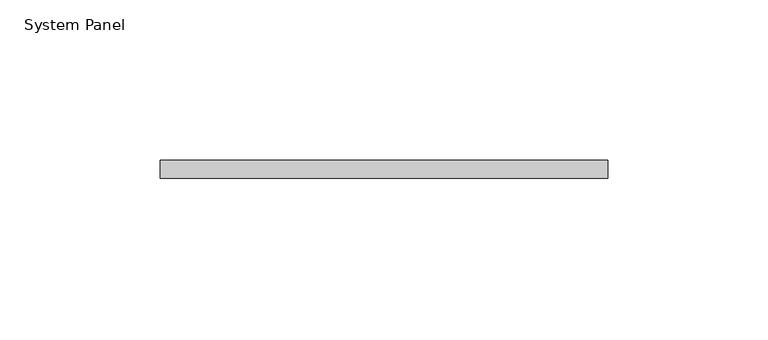
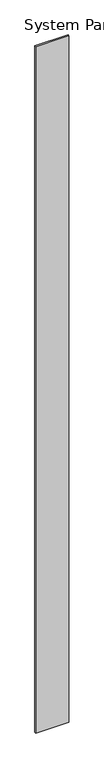
"""IFC4 building model written with IfcOpenShell, lengths in millimetres: plate geometry, System Panel."""

from ifc_helpers import new_model, si_unit, origin, origin_with_axes, place, context, project, spatial, polyline, outline, extrude, source, transform, mapped, element, save


def system_panel_898fdb2c(model_context):
    return source(origin(), model_context, "Body", "SweptSolid", [
        extrude(outline(polyline([(69.85, -13.49375), (-69.85, -13.49375), (-69.85, -7.9375), (69.85, -7.9375), (69.85, -13.49375)])), origin_with_axes(), (0.0, 0.0, 1.0), 3048.0),
    ])


if __name__ == "__main__":
    model = new_model("IFC4")
    model_context = context("Model", 3, world=origin())
    ifc_project = project(units=[si_unit("LENGTHUNIT", "METRE", prefix="MILLI")], contexts=[model_context])
    site = spatial("IfcSite", under=ifc_project)
    building = spatial("IfcBuilding", under=site)
    placement = place(None, origin())
    system_panel_shape = system_panel_898fdb2c(model_context)
    element("IfcPlate", 1, ObjectType="System Panel", at=placement, inside=building, context=model_context, shape_type="MappedRepresentation", body=[
        mapped(system_panel_shape, transform((0.0, 0.0, 0.0), x_axis=(1.0, 0.0, 0.0), y_axis=(0.0, 1.0, 0.0), z_axis=(0.0, 0.0, 1.0))),
    ])
    save(model, "model.ifc")
